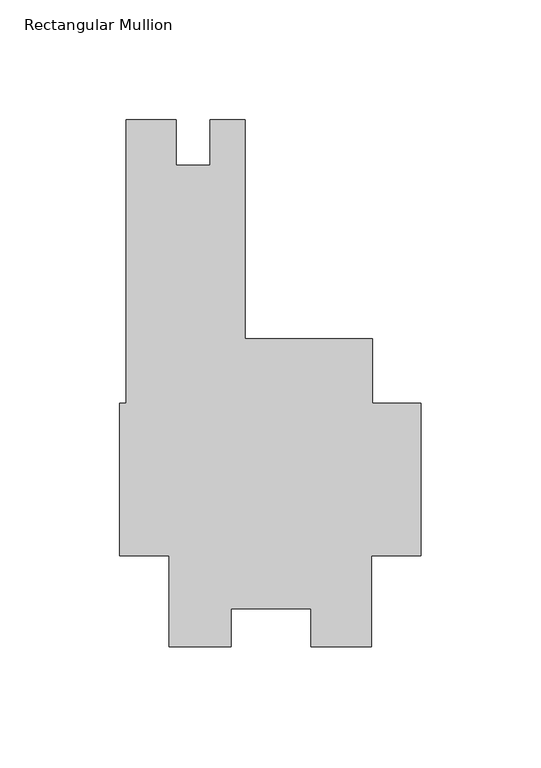
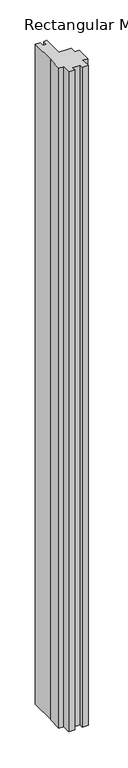
"""IFC4 building model written with IfcOpenShell, lengths in millimetres: member geometry, Rectangular Mullion."""

from ifc_helpers import new_model, si_unit, frame, origin, place, context, project, spatial, polyline, outline, extrude, source, transform, mapped, element, save


def rectangular_mullion_2f15c75d(model_context):
    return source(origin(), model_context, "Body", "SweptSolid", [
        extrude(outline(polyline([(-105.2447888, -31.7499999), (-125.792802, -31.7499999), (-125.792802, 31.7500001), (-123.2154005, 31.7500001), (-123.2154005, 150.0187503), (-102.3365938, 150.0187503), (-102.3365938, 130.9941515), (-88.0237005, 130.9941515), (-88.0237005, 150.0187515), (-73.4314005, 150.0187515), (-73.4314005, 58.7248), (-20.2501505, 58.7248), (-20.2501505, 31.75), (0.0, 31.75), (0.0, -31.75), (-20.6735973, -31.75), (-20.6735973, -69.85), (-46.0141806, -69.85), (-46.0141806, -53.9601034), (-79.3689318, -53.9601034), (-79.3689318, -69.8732034), (-105.2447888, -69.8732034), (-105.2447888, -31.7499999)])), frame((0.0, 0.0, -3048.0), z_axis=(0.0, 0.0, 1.0), x_axis=(1.0, 0.0, 0.0)), (0.0, 0.0, 1.0), 3048.0),
    ])


if __name__ == "__main__":
    model = new_model("IFC4")
    model_context = context("Model", 3, world=origin())
    ifc_project = project(units=[si_unit("LENGTHUNIT", "METRE", prefix="MILLI")], contexts=[model_context])
    site = spatial("IfcSite", under=ifc_project)
    building = spatial("IfcBuilding", under=site)
    placement = place(None, origin())
    rectangular_mullion_shape = rectangular_mullion_2f15c75d(model_context)
    element("IfcMember", 1, ObjectType="Rectangular Mullion", at=placement, inside=building, context=model_context, shape_type="MappedRepresentation", body=[
        mapped(rectangular_mullion_shape, transform((0.0, 0.0, 0.0), x_axis=(1.0, 0.0, 0.0), y_axis=(0.0, 1.0, 0.0), z_axis=(0.0, 0.0, 1.0))),
    ])
    save(model, "model.ifc")
